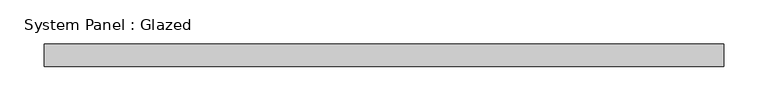
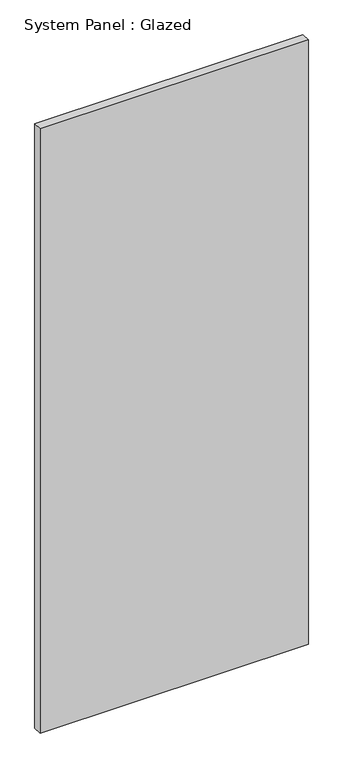
"""IFC4 building model written with IfcOpenShell, lengths in millimetres: plate geometry, System Panel : Glazed."""

from ifc_helpers import new_model, si_unit, origin, origin_with_axes, place, context, project, spatial, polyline, outline, extrude, source, transform, mapped, element, save


def system_panel_glazed_3a3c97d1(model_context):
    return source(origin(), model_context, "Body", "SweptSolid", [
        extrude(outline(polyline([(384.3961866, 19.05), (-384.3961866, 19.05), (-384.3961866, 44.45), (384.3961866, 44.45), (384.3961866, 19.05)])), origin_with_axes(), (0.0, 0.0, 1.0), 1828.8),
    ])


if __name__ == "__main__":
    model = new_model("IFC4")
    model_context = context("Model", 3, world=origin())
    ifc_project = project(units=[si_unit("LENGTHUNIT", "METRE", prefix="MILLI")], contexts=[model_context])
    site = spatial("IfcSite", under=ifc_project)
    building = spatial("IfcBuilding", under=site)
    placement = place(None, origin())
    system_panel_glazed_shape = system_panel_glazed_3a3c97d1(model_context)
    element("IfcPlate", 1, ObjectType="System Panel : Glazed", at=placement, inside=building, context=model_context, shape_type="MappedRepresentation", body=[
        mapped(system_panel_glazed_shape, transform((0.0, 0.0, 0.0), x_axis=(1.0, 0.0, 0.0), y_axis=(0.0, 1.0, 0.0), z_axis=(0.0, 0.0, 1.0))),
    ])
    save(model, "model.ifc")
